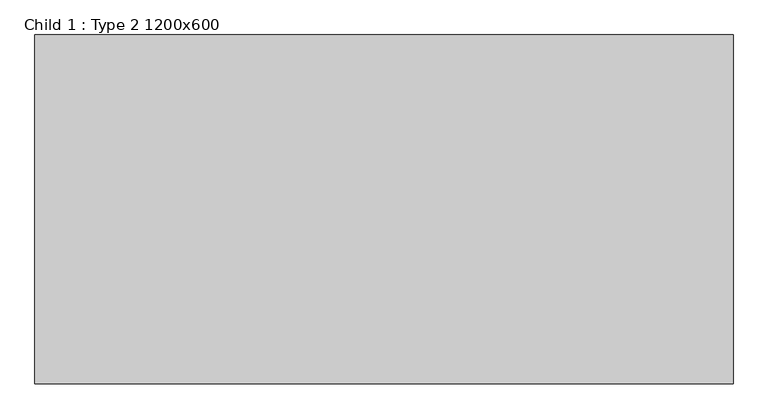
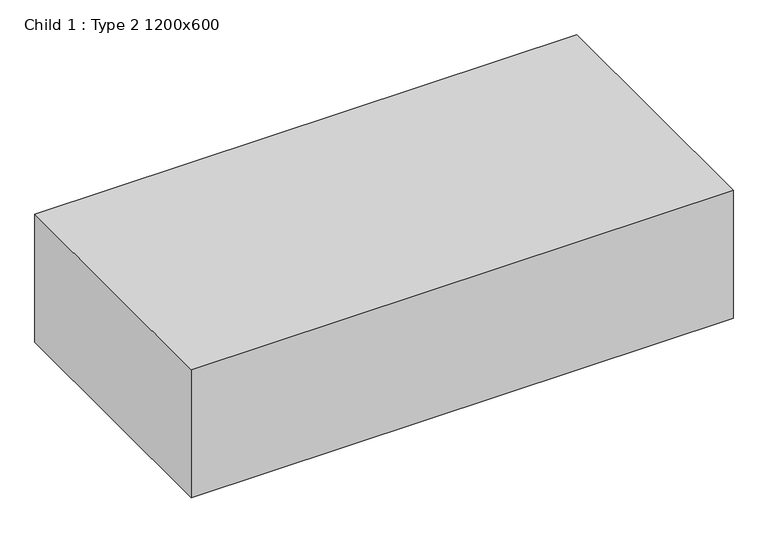
"""IFC4 building model written with IfcOpenShell, lengths in millimetres: proxy geometry, Child 1 : Type 2 1200x600."""

from ifc_helpers import new_model, si_unit, origin, origin_with_axes, place, context, project, spatial, polyline, outline, extrude, source, transform, mapped, element, save


def child_1_type_2_1200x600_7c89eab9(model_context):
    return source(origin(), model_context, "Body", "SweptSolid", [
        extrude(outline(polyline([(600.0, 300.0), (600.0, -300.0), (-600.0, -300.0), (-600.0, 300.0), (600.0, 300.0)])), origin_with_axes(), (0.0, 0.0, 1.0), 300.0),
    ])


if __name__ == "__main__":
    model = new_model("IFC4")
    model_context = context("Model", 3, world=origin())
    ifc_project = project(units=[si_unit("LENGTHUNIT", "METRE", prefix="MILLI")], contexts=[model_context])
    site = spatial("IfcSite", under=ifc_project)
    building = spatial("IfcBuilding", under=site)
    placement = place(None, origin())
    child_1_type_2_1200x600_shape = child_1_type_2_1200x600_7c89eab9(model_context)
    element("IfcBuildingElementProxy", 1, Name="Child 1 : Type 2 1200x600", ObjectType="Child 1 : Type 2 1200x600", at=placement, inside=building, context=model_context, shape_type="MappedRepresentation", body=[
        mapped(child_1_type_2_1200x600_shape, transform((0.0, 0.0, 0.0), x_axis=(1.0, 0.0, 0.0), y_axis=(0.0, 1.0, 0.0), z_axis=(0.0, 0.0, 1.0))),
    ])
    save(model, "model.ifc")
